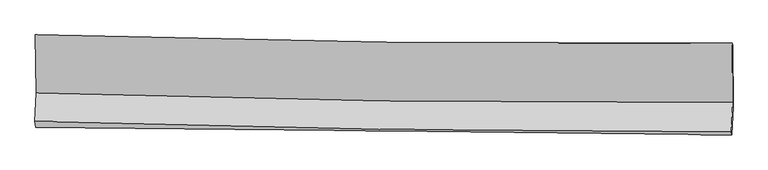
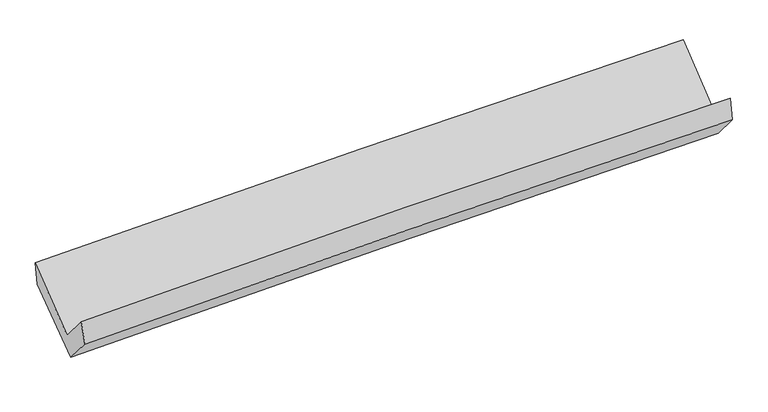
"""IFC4 building model written with IfcOpenShell, lengths in millimetres: proxy geometry."""

from ifc_helpers import new_model, si_unit, frame, origin, place, context, project, spatial, source, transform, mapped, element, save
from ifc_brep_helpers import plane_surface, spline_curve, spline_surface, advanced_brep


def generic_models_4e9f1601(model_context):
    return source(origin(), model_context, "Body", "AdvancedBrep", [
        advanced_brep(
        [(-3018.6124944, -1171.446812, 2157.1784457), (-3009.997123, -1673.9810678, 1744.5945347), (3000.707044, -1756.4951868, 1880.2877677), (2997.0135368, -1244.3247095, 2300.9562058), (-3019.8675406, -1921.8756826, 2032.465892), (2990.0634631, -2013.4443044, 2193.033931), (-3014.631158, -1970.8764906, 1839.2413123), (2994.6382935, -2036.3972269, 1989.3668799), (-3004.9871909, -1729.5302873, 1557.7811704), (3004.3582843, -1794.5422543, 1707.4977006), (-3013.0345066, -1194.0002334, 1958.0003347), (3000.9402357, -1262.3008103, 2127.038754)],
        [
            (0, 1),
            (1, 2, spline_curve(3, [(-3009.997123, -1673.9810678, 1744.5945347), (-2008.013811421, -1705.62245076, 1778.302672249), (-1005.789438053, -1728.317915734, 1806.468432597), (997.779272068, -1755.798326642, 1851.68445852), (1999.122954419, -1760.607568134, 1868.749775819), (3000.707044, -1756.4951868, 1880.2877677)], [4, 2, 4], [0.0, 9.87535878603316, 19.73729883453786])),
            (2, 3),
            (3, 0, spline_curve(3, [(2997.0135368, -1244.3247095, 2300.9562058), (1994.243754056, -1251.315384822, 2305.310032081), (991.897224074, -1248.748195649, 2295.523231335), (-1013.312605602, -1224.481590688, 2247.635818595), (-2016.174752715, -1202.756147543, 2209.496699185), (-3018.6124944, -1171.446812, 2157.1784457)], [4, 2, 4], [0.0, 9.8619400485047, 19.73729883453786])),
            (1, 4),
            (4, 5, spline_curve(3, [(-3019.8675406, -1921.8756826, 2032.465892), (-2018.471782227, -1952.274710687, 2088.425639028), (-1016.605503265, -1975.104988875, 2129.785360165), (986.706108872, -2005.607307806, 2183.26838969), (1988.150164938, -2013.299903673, 2195.431348004), (2990.0634631, -2013.4443044, 2193.033931)], [4, 2, 4], [0.0, 9.871149696712148, 19.728886375249033])),
            (5, 2),
            (4, 6),
            (6, 7, spline_curve(3, [(-3014.631158, -1970.8764906, 1839.2413123), (-2012.81907184, -1980.304125549, 1877.749583484), (-1010.799975203, -1990.482226471, 1909.518109288), (992.290404419, -2012.324510282, 1959.541661551), (1993.361124758, -2023.986654512, 1977.814991545), (2994.6382935, -2036.3972269, 1989.3668799)], [4, 2, 4], [0.0, 9.869826880512129, 19.72624254030504])),
            (7, 5),
            (6, 8),
            (8, 9, spline_curve(3, [(-3004.9871909, -1729.5302873, 1557.7811704), (-2002.886665673, -1732.275073411, 1588.141948732), (-1000.717103479, -1739.071566435, 1615.805365197), (1002.398242321, -1760.753225721, 1665.703549876), (2003.343838586, -1775.627388188, 1687.945643652), (3004.3582843, -1794.5422543, 1707.4977006)], [4, 2, 4], [0.0, 9.868277688170208, 19.723146260679442])),
            (9, 7),
            (8, 10),
            (10, 11, spline_curve(3, [(-3013.0345066, -1194.0002334, 1958.0003347), (-2010.122725796, -1208.70862817, 1989.837451107), (-1007.161514749, -1221.757282142, 2019.850882324), (997.496866932, -1244.519633887, 2076.192069164), (1999.19390324, -1254.23783851, 2102.524777912), (3000.9402357, -1262.3008103, 2127.038754)], [4, 2, 4], [0.0, 9.872463366011354, 19.731511928820296])),
            (11, 9),
            (10, 0),
            (3, 11),
        ],
        [
            spline_surface(3, 3, [[(-3018.6124944, -1171.446812, 2157.1784457), (-2016.17475281, -1202.75614739, 2209.496699322), (-1013.312605592, -1224.481590748, 2247.635818608), (991.897224063, -1248.748195589, 2295.523231322), (1994.243753915, -1251.315384683, 2305.310032063), (2997.0135368, -1244.3247095, 2300.9562058)], [(-3015.740703944, -1338.958230612, 2019.650475376), (-2013.454439051, -1370.378248474, 2065.765356961), (-1010.804883103, -1392.427032347, 2100.580023305), (993.857906782, -1417.764905985, 2147.576973718), (1995.870154107, -1421.07944583, 2159.789946609), (2998.244705866, -1415.048201911, 2160.733393097)], [(-3012.868913456, -1506.469649188, 1882.122505024), (-2010.73412526, -1538.000349522, 1922.034014571), (-1008.297160654, -1560.372473973, 1953.524227955), (995.818589461, -1586.781616408, 1999.630716069), (1997.496554301, -1590.843507045, 2014.269861164), (2999.475874934, -1585.771694389, 2020.510580403)], [(-3009.997123, -1673.9810678, 1744.5945347), (-2008.013811501, -1705.622450605, 1778.30267221), (-1005.789438165, -1728.317915572, 1806.468432652), (997.77927218, -1755.798326804, 1851.684458466), (1999.122954493, -1760.607568192, 1868.74977571), (3000.707044, -1756.4951868, 1880.2877677)]], [4, 4], [4, 2, 4], [0.0, 2.2040870583728553], [0.0, 9.87535878603316, 19.73729883453786]),
            spline_surface(3, 3, [[(-3009.997123, -1673.9810678, 1744.5945347), (-2008.013811501, -1705.622450605, 1778.30267221), (-1005.789438165, -1728.317915572, 1806.468432652), (997.77927218, -1755.798326804, 1851.684458466), (1999.122954493, -1760.607568192, 1868.74977571), (3000.707044, -1756.4951868, 1880.2877677)], [(-3013.287262203, -1756.612606066, 1840.551653788), (-2011.499801705, -1787.839870644, 1881.676994482), (-1009.394793263, -1810.580273345, 1914.240741844), (994.088217772, -1839.067987138, 1962.212435489), (1995.465357951, -1844.838346659, 1977.643633151), (2997.159183711, -1842.144892669, 1984.536488805)], [(-3016.577401397, -1839.244144334, 1936.508772912), (-2014.985791901, -1870.057290686, 1985.051316788), (-1013.000148307, -1892.842631111, 2022.013051083), (990.397163418, -1922.337647463, 2072.740412557), (1991.807761376, -1929.069125119, 2086.537490576), (2993.611323389, -1927.794598531, 2088.785209895)], [(-3019.8675406, -1921.8756826, 2032.465892), (-2018.471782104, -1952.274710725, 2088.42563906), (-1016.605503404, -1975.104988884, 2129.785360275), (986.706109011, -2005.607307796, 2183.26838958), (1988.150164833, -2013.299903586, 2195.431348017), (2990.0634631, -2013.4443044, 2193.033931)]], [4, 4], [4, 2, 4], [0.0, 1.3487036258873426], [0.0, 9.871149696712148, 19.728886375249033]),
            spline_surface(3, 3, [[(-3019.8675406, -1921.8756826, 2032.465892), (-2018.471782104, -1952.274710725, 2088.42563906), (-1016.605503404, -1975.104988884, 2129.785360275), (986.706109011, -2005.607307796, 2183.26838958), (1988.150164833, -2013.299903586, 2195.431348017), (2990.0634631, -2013.4443044, 2193.033931)], [(-3018.122079728, -1938.209285274, 1968.05769877), (-2016.587545318, -1961.61784905, 2018.200287163), (-1014.670327284, -1980.23073478, 2056.362943291), (988.567540778, -2007.846375225, 2108.692813578), (1989.887151456, -2016.862153941, 2122.892562502), (2991.588406543, -2021.095278563, 2125.144913971)], [(-3016.376618872, -1954.542887926, 1903.64950553), (-2014.703308549, -1970.960987355, 1947.974935255), (-1012.735151189, -1985.356480726, 1982.940526278), (990.428972518, -2010.085442703, 2034.117237547), (1991.624138149, -2020.424404306, 2050.353776974), (2993.113350057, -2028.746252737, 2057.255896929)], [(-3014.631158, -1970.8764906, 1839.2413123), (-2012.819071763, -1980.304125681, 1877.749583358), (-1010.799975069, -1990.482226621, 1909.518109294), (992.290404285, -2012.324510132, 1959.541661545), (1993.361124771, -2023.986654661, 1977.814991459), (2994.6382935, -2036.3972269, 1989.3668799)]], [4, 4], [4, 2, 4], [0.0, 0.72947038126556], [0.0, 9.869826880512129, 19.72624254030504]),
            spline_surface(3, 3, [[(-3014.631158, -1970.8764906, 1839.2413123), (-2012.819071763, -1980.304125681, 1877.749583358), (-1010.799975069, -1990.482226621, 1909.518109294), (992.290404285, -2012.324510132, 1959.541661545), (1993.361124771, -2023.986654661, 1977.814991459), (2994.6382935, -2036.3972269, 1989.3668799)], [(-3011.416502306, -1890.427756167, 1745.42126499), (-2009.508269705, -1897.62777494, 1781.213705178), (-1007.439017871, -1906.678673264, 1811.613861276), (995.65968366, -1928.467415329, 1861.595624324), (1996.688696085, -1941.200232553, 1881.191875475), (2997.878290432, -1955.778902704, 1895.410486785)], [(-3008.201846594, -1809.979021733, 1651.60121771), (-2006.19746763, -1814.951424197, 1684.677827028), (-1004.07806072, -1822.875119849, 1713.709613233), (999.028962989, -1844.610320467, 1763.649587079), (2000.016267403, -1858.413810433, 1784.568759537), (3001.118287368, -1875.160578496, 1801.454093715)], [(-3004.9871909, -1729.5302873, 1557.7811704), (-2002.886665573, -1732.275073456, 1588.141948847), (-1000.717103522, -1739.071566492, 1615.805365214), (1002.398242364, -1760.753225664, 1665.703549858), (2003.343838717, -1775.627388324, 1687.945643553), (3004.3582843, -1794.5422543, 1707.4977006)]], [4, 4], [4, 2, 4], [0.0, 1.2691954317085685], [0.0, 9.868277688170208, 19.723146260679442]),
            spline_surface(3, 3, [[(-3004.9871909, -1729.5302873, 1557.7811704), (-2002.886665573, -1732.275073456, 1588.141948847), (-1000.717103522, -1739.071566492, 1615.805365214), (1002.398242364, -1760.753225664, 1665.703549858), (2003.343838717, -1775.627388324, 1687.945643553), (3004.3582843, -1794.5422543, 1707.4977006)], [(-3007.66962945, -1551.020269317, 1691.187558522), (-2005.298685637, -1557.752925019, 1722.040449615), (-1002.865240606, -1566.633471749, 1750.487204203), (1000.764450542, -1588.675361697, 1802.533056312), (2001.960526927, -1601.830871775, 1826.138688347), (3003.218934784, -1617.128439649, 1847.344718409)], [(-3010.35206805, -1372.510251383, 1824.593946578), (-2007.710705752, -1383.230776629, 1855.938950316), (-1005.013377661, -1394.195377007, 1885.169043236), (999.13065875, -1416.597497732, 1939.36256281), (2000.577215085, -1428.034355177, 1964.331733116), (3002.079585216, -1439.714624951, 1987.191736191)], [(-3013.0345066, -1194.0002334, 1958.0003347), (-2010.122725816, -1208.708628192, 1989.837451083), (-1007.161514745, -1221.757282263, 2019.850882224), (997.496866928, -1244.519633766, 2076.192069263), (1999.193903294, -1254.237838628, 2102.52477791), (3000.9402357, -1262.3008103, 2127.038754)]], [4, 4], [4, 2, 4], [0.0, 2.1587605437019217], [0.0, 9.872463366011354, 19.731511928820296]),
            spline_surface(3, 3, [[(-3013.0345066, -1194.0002334, 1958.0003347), (-2010.122725816, -1208.708628192, 1989.837451083), (-1007.161514745, -1221.757282263, 2019.850882224), (997.496866928, -1244.519633766, 2076.192069263), (1999.193903294, -1254.237838628, 2102.52477791), (3000.9402357, -1262.3008103, 2127.038754)], [(-3014.89383587, -1186.482426264, 2024.393038353), (-2012.14006815, -1206.724467922, 2063.057200482), (-1009.211878371, -1222.665385095, 2095.77919435), (995.630319296, -1245.929154378, 2149.302456613), (1997.543853498, -1253.263687317, 2170.119862628), (2999.631336064, -1256.308776704, 2185.011237933)], [(-3016.75316513, -1178.964619136, 2090.785742047), (-2014.157410475, -1204.74030766, 2136.276949923), (-1011.262241966, -1223.573487916, 2171.707506483), (993.763771695, -1247.338674977, 2222.412843972), (1995.893803711, -1252.289535994, 2237.714947345), (2998.322436436, -1250.316743096, 2242.983721867)], [(-3018.6124944, -1171.446812, 2157.1784457), (-2016.17475281, -1202.75614739, 2209.496699322), (-1013.312605592, -1224.481590748, 2247.635818608), (991.897224063, -1248.748195589, 2295.523231322), (1994.243753915, -1251.315384683, 2305.310032063), (2997.0135368, -1244.3247095, 2300.9562058)]], [4, 4], [4, 2, 4], [0.0, 0.733818839342532], [0.0, 9.878071240608033, 19.74272005797686]),
            plane_surface(frame((2997.9534762, -1684.584082, 2033.0302065), z_axis=(0.9996389109192931, -0.01237966214566389, 0.023849355153737865), x_axis=(-0.005043436269496292, 0.7853386996452874, 0.6190457903822987))),
            plane_surface(frame((-3013.5216689, -1610.2850956, 1881.543615), z_axis=(-0.9995666403066094, 0.006445089531618757, -0.02872268105673871), x_axis=(0.0278164301984108, -0.11246988945684668, -0.9932657097557439))),
        ],
        [
            (0, [[1, 2, 3, 4]]),
            (1, [[5, 6, 7, -2]]),
            (2, [[8, 9, 10, -6]]),
            (3, [[11, 12, 13, -9]]),
            (4, [[14, 15, 16, -12]]),
            (5, [[17, -4, 18, -15]]),
            (6, [[-16, -18, -3, -7, -10, -13]]),
            (7, [[-17, -14, -11, -8, -5, -1]]),
        ],
    ),
    ])


if __name__ == "__main__":
    model = new_model("IFC4")
    model_context = context("Model", 3, world=origin())
    ifc_project = project(units=[si_unit("LENGTHUNIT", "METRE", prefix="MILLI")], contexts=[model_context])
    site = spatial("IfcSite", under=ifc_project)
    building = spatial("IfcBuilding", under=site)
    placement = place(None, origin())
    generic_models_shape = generic_models_4e9f1601(model_context)
    element("IfcBuildingElementProxy", 1, Name="Generic Models", at=placement, inside=building, context=model_context, shape_type="MappedRepresentation", body=[
        mapped(generic_models_shape, transform((0.0, 0.0, 0.0), x_axis=(1.0, 0.0, 0.0), y_axis=(0.0, 1.0, 0.0), z_axis=(0.0, 0.0, 1.0))),
    ])
    save(model, "model.ifc")
